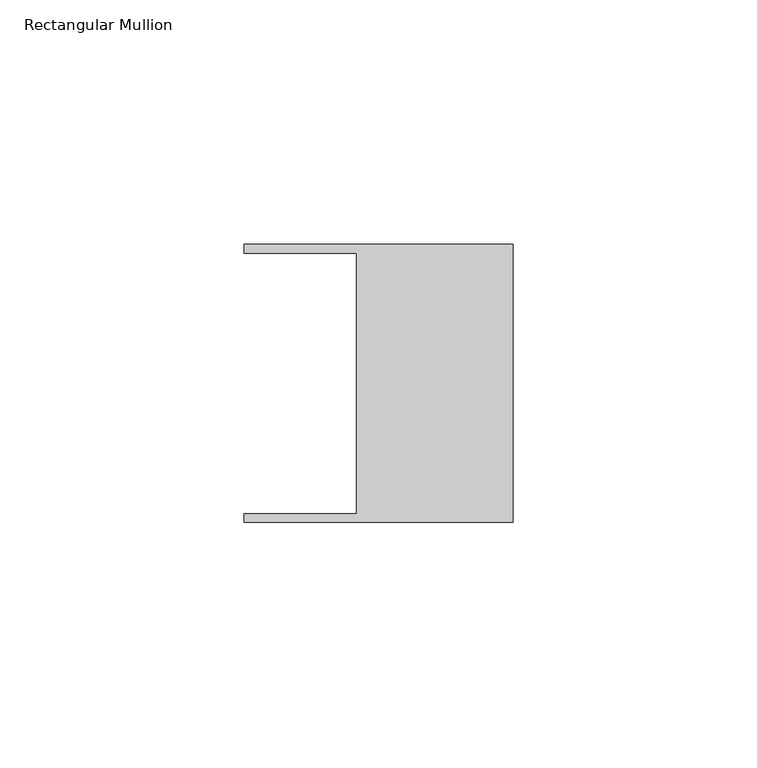
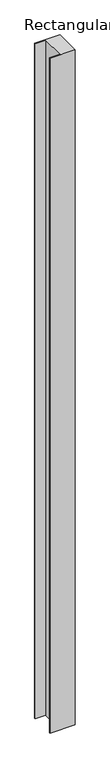
"""IFC4 building model written with IfcOpenShell, lengths in millimetres: member geometry, Rectangular Mullion."""

from ifc_helpers import new_model, si_unit, frame, origin, place, context, project, spatial, polyline, outline, extrude, source, transform, mapped, element, save


def rectangular_mullion_7603dba2(model_context):
    return source(origin(), model_context, "Body", "SweptSolid", [
        extrude(outline(polyline([(-32.004, -26.67), (-32.004, 26.67), (-54.991, 26.67), (-54.991, 28.448), (0.0, 28.448), (0.0, -28.448), (-54.991, -28.448), (-54.991, -26.67), (-32.004, -26.67)])), frame((0.0, 0.0, -1549.4), z_axis=(0.0, 0.0, 1.0), x_axis=(1.0, 0.0, 0.0)), (0.0, 0.0, 1.0), 1549.4),
    ])


if __name__ == "__main__":
    model = new_model("IFC4")
    model_context = context("Model", 3, world=origin())
    ifc_project = project(units=[si_unit("LENGTHUNIT", "METRE", prefix="MILLI")], contexts=[model_context])
    site = spatial("IfcSite", under=ifc_project)
    building = spatial("IfcBuilding", under=site)
    placement = place(None, origin())
    rectangular_mullion_shape = rectangular_mullion_7603dba2(model_context)
    element("IfcMember", 1, ObjectType="Rectangular Mullion", at=placement, inside=building, context=model_context, shape_type="MappedRepresentation", body=[
        mapped(rectangular_mullion_shape, transform((0.0, 0.0, 0.0), x_axis=(1.0, 0.0, 0.0), y_axis=(0.0, 1.0, 0.0), z_axis=(0.0, 0.0, 1.0))),
    ])
    save(model, "model.ifc")
